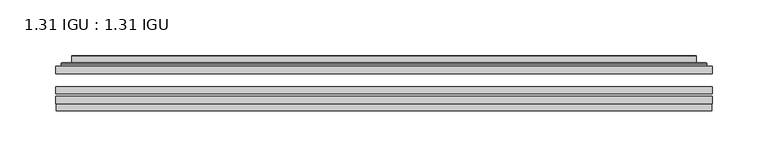
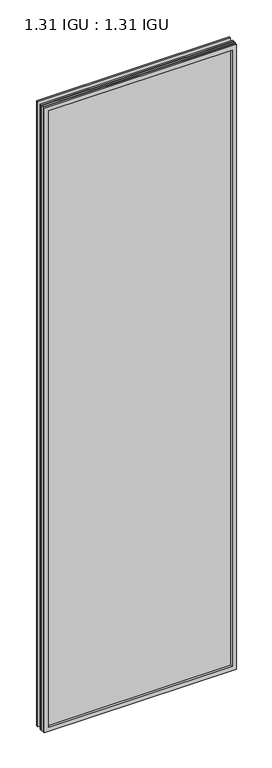
"""IFC4 building model written with IfcOpenShell, lengths in millimetres: plate geometry, 1.31 IGU : 1.31 IGU."""

from ifc_helpers import new_model, si_unit, frame, origin, place, context, project, spatial, polyline, ellipse_curve, outline, extrude, faceted_brep, source, transform, mapped, element, save
from ifc_brep_helpers import plane_surface, cylinder_surface, advanced_brep


def plate_1_31_igu_1_31_igu_c1df1780(model_context):
    return source(origin(), model_context, "Body", "SolidModel", [
        extrude(outline(polyline([(295.2923663, -63.59525), (295.2923663, -69.94525), (-295.2781913, -69.94525), (-295.2781913, -63.59525), (295.2923663, -63.59525)])), frame((0.0, 0.0, -14.2875), z_axis=(0.0, 0.0, 1.0), x_axis=(1.0, 0.0, 0.0)), (0.0, 0.0, 1.0), 2022.4787979),
        extrude(outline(polyline([(-295.2781913, -78.58125), (-295.2781913, -72.230745), (295.2923663, -72.230745), (295.2923663, -78.58125), (-295.2781913, -78.58125)])), frame((0.0, 0.0, -14.2875), z_axis=(0.0, 0.0, 1.0), x_axis=(1.0, 0.0, 0.0)), (0.0, 0.0, 1.0), 2022.4787979),
        extrude(outline(polyline([(295.2923663, -45.25645), (295.2923663, -51.60645), (-295.2781913, -51.60645), (-295.2781913, -45.25645), (295.2923663, -45.25645)])), frame((0.0, 0.0, -14.2875), z_axis=(0.0, 0.0, 1.0), x_axis=(1.0, 0.0, 0.0)), (0.0, 0.0, 1.0), 2022.4787979),
        faceted_brep([(-294.5780056, -84.93125, 2007.4873142), (-294.5780056, -78.58125, 2007.4873142), (-294.5780056, -78.58125, -13.5873142), (-294.5780056, -84.93125, -13.5873142), (294.5780056, -78.58125, -13.5873142), (294.5780056, -84.93125, -13.5873142), (294.5780056, -78.58125, 2007.4873142), (294.5780056, -84.93125, 2007.4873142), (-280.0929472, -78.58125, 0.8977441), (280.0929472, -78.58125, 0.8977441), (280.0929472, -78.58125, 1993.0022559), (-280.0929472, -78.58125, 1993.0022559), (-280.9853815, -84.93125, 1993.8946902), (280.9853815, -84.93125, 1993.8946902), (280.9853815, -84.93125, 0.0053098), (-280.9853815, -84.93125, 0.0053098)], [[[0, 1, 2, 3]], [[3, 2, 4, 5]], [[5, 4, 6, 7]], [[1, 6, 4, 2], [8, 9, 10, 11]], [[7, 6, 1, 0]], [[3, 5, 7, 0], [12, 13, 14, 15]], [[11, 12, 15, 8]], [[8, 15, 14, 9]], [[9, 14, 13, 10]], [[10, 13, 12, 11]]]),
        advanced_brep(
        [(-288.0369104, -45.25645, 2000.946219), (-290.3911157, -43.2667833, 2003.3004244), (-290.3911157, -43.2667833, -9.4004244), (-288.0369104, -45.25645, -7.046219), (-278.9625852, -41.416413, 1991.8718939), (-274.0277534, -45.25645, 1986.9370621), (-274.0277534, -45.25645, 6.9629379), (-278.9625852, -41.416413, 2.0281061), (-279.994613, -36.0191819, 1992.9039217), (-279.994613, -36.0191819, 0.9960783), (-280.9852698, -35.6202069, 1993.8945784), (-280.9852698, -35.6202069, 0.0054216), (-280.9852698, -42.08145, 1993.8945784), (-280.9852698, -42.08145, 0.0054216), (-289.3893262, -42.08145, 2002.2986349), (-289.3893262, -42.08145, -8.3986349), (290.3911157, -43.2667833, -9.4004244), (288.0369104, -45.25645, -7.046219), (274.0277534, -45.25645, 6.9629379), (278.9625852, -41.416413, 2.0281061), (279.994613, -36.0191819, 0.9960783), (280.9852698, -35.6202069, 0.0054216), (280.9852698, -42.08145, 0.0054216), (289.3893262, -42.08145, -8.3986349), (290.3911157, -43.2667833, 2003.3004244), (288.0369104, -45.25645, 2000.946219), (274.0277534, -45.25645, 1986.9370621), (278.9625852, -41.416413, 1991.8718939), (279.994613, -36.0191819, 1992.9039217), (280.9852698, -35.6202069, 1993.8945784), (280.9852698, -42.08145, 1993.8945784), (289.3893262, -42.08145, 2002.2986349)],
        [
            (0, 1, ellipse_curve(frame((-288.0369104, -42.86885, 2000.946219), z_axis=(-0.7071067811865475, 0.0, -0.7071067811865475), x_axis=(-0.7071067811865474, 0.0, 0.7071067811865476)), 3.3765763, 2.3876)),
            (1, 2),
            (2, 3, ellipse_curve(frame((-288.0369104, -42.86885, -7.046219), z_axis=(-0.7071067811865475, 0.0, 0.7071067811865475), x_axis=(0.7071067811865474, 0.0, 0.7071067811865476)), 3.3765763, 2.3876)),
            (3, 0),
            (4, 5),
            (5, 6),
            (6, 7),
            (7, 4),
            (8, 4),
            (7, 9),
            (9, 8),
            (10, 8, ellipse_curve(frame((-280.6183132, -36.1384423, 1993.5276219), z_axis=(-0.7071067811865475, 0.0, -0.7071067811865475), x_axis=(-0.7071067811865474, 0.0, 0.7071067811865476)), 0.8980256, 0.635)),
            (9, 11, ellipse_curve(frame((-280.6183132, -36.1384423, 0.3723781), z_axis=(-0.7071067811865475, 0.0, 0.7071067811865475), x_axis=(0.7071067811865474, 0.0, 0.7071067811865476)), 0.8980256, 0.635)),
            (11, 10),
            (12, 10),
            (11, 13),
            (13, 12),
            (1, 14, ellipse_curve(frame((-289.3893262, -43.09745, 2002.2986349), z_axis=(-0.7071067811865475, 0.0, -0.7071067811865475), x_axis=(-0.7071067811865474, 0.0, 0.7071067811865476)), 1.436841, 1.016)),
            (14, 15),
            (15, 2, ellipse_curve(frame((-289.3893262, -43.09745, -8.3986349), z_axis=(-0.7071067811865475, 0.0, 0.7071067811865475), x_axis=(0.7071067811865474, 0.0, 0.7071067811865476)), 1.436841, 1.016)),
            (2, 16),
            (16, 17, ellipse_curve(frame((288.0369104, -42.86885, -7.046219), z_axis=(-0.7071067811865475, 0.0, -0.7071067811865475), x_axis=(-0.7071067811865476, 0.0, 0.7071067811865474)), 3.3765763, 2.3876)),
            (17, 3),
            (6, 18),
            (18, 19),
            (19, 7),
            (19, 20),
            (20, 9),
            (20, 21, ellipse_curve(frame((280.6183132, -36.1384423, 0.3723781), z_axis=(-0.7071067811865475, 0.0, -0.7071067811865475), x_axis=(-0.7071067811865476, 0.0, 0.7071067811865474)), 0.8980256, 0.635)),
            (21, 11),
            (21, 22),
            (22, 13),
            (15, 23),
            (23, 16, ellipse_curve(frame((289.3893262, -43.09745, -8.3986349), z_axis=(-0.7071067811865475, 0.0, -0.7071067811865475), x_axis=(-0.7071067811865476, 0.0, 0.7071067811865474)), 1.436841, 1.016)),
            (16, 24),
            (24, 25, ellipse_curve(frame((288.0369104, -42.86885, 2000.946219), z_axis=(0.7071067811865475, 0.0, -0.7071067811865475), x_axis=(-0.7071067811865474, 0.0, -0.7071067811865476)), 3.3765763, 2.3876)),
            (25, 17),
            (18, 26),
            (26, 27),
            (27, 19),
            (27, 28),
            (28, 20),
            (28, 29, ellipse_curve(frame((280.6183132, -36.1384423, 1993.5276219), z_axis=(0.7071067811865475, 0.0, -0.7071067811865475), x_axis=(-0.7071067811865474, 0.0, -0.7071067811865476)), 0.8980256, 0.635)),
            (29, 21),
            (29, 30),
            (30, 22),
            (23, 31),
            (31, 24, ellipse_curve(frame((289.3893262, -43.09745, 2002.2986349), z_axis=(0.7071067811865475, 0.0, -0.7071067811865475), x_axis=(-0.7071067811865474, 0.0, -0.7071067811865476)), 1.436841, 1.016)),
            (24, 1),
            (0, 25),
            (5, 26),
            (4, 27),
            (8, 28),
            (10, 29),
            (12, 30),
            (14, 31),
        ],
        [
            cylinder_surface(frame((-288.0369104, -42.86885, 2025.65), z_axis=(0.0, 0.0, 1.0), x_axis=(-1.0, 0.0, 0.0)), 2.3876),
            plane_surface(frame((-274.0277534, -45.25645, 1986.9370621), z_axis=(0.6141233906514794, 0.7892100234124821, 0.0), x_axis=(0.0, 0.0, -1.0))),
            plane_surface(frame((-278.9625852, -41.416413, 1991.8718939), z_axis=(0.9822050625507729, 0.18781164793386074, 0.0), x_axis=(0.0, 0.0, -1.0))),
            cylinder_surface(frame((-280.6183132, -36.1384423, 2025.65), z_axis=(0.0, 0.0, 1.0), x_axis=(-1.0, 0.0, 0.0)), 0.635),
            plane_surface(frame((-280.9852698, -35.6202069, 1993.8945784), z_axis=(-1.0, 0.0, 0.0), x_axis=(0.0, 0.0, -1.0))),
            cylinder_surface(frame((-289.3893262, -43.09745, 2025.65), z_axis=(0.0, 0.0, 1.0), x_axis=(-1.0, 0.0, 0.0)), 1.016),
            cylinder_surface(frame((-312.7406913, -42.86885, -7.046219), z_axis=(-1.0, 0.0, 0.0), x_axis=(0.0, 0.0, -1.0)), 2.3876),
            plane_surface(frame((-274.0277534, -45.25645, 6.9629379), z_axis=(0.0, 0.7892100234124841, 0.6141233906514768), x_axis=(1.0, 0.0, 0.0))),
            plane_surface(frame((-278.9625852, -41.416413, 2.0281061), z_axis=(0.0, 0.18781164793386393, 0.9822050625507723), x_axis=(1.0, 0.0, 0.0))),
            cylinder_surface(frame((-312.7406913, -36.1384423, 0.3723781), z_axis=(-1.0, 0.0, 0.0), x_axis=(0.0, 0.0, -1.0)), 0.635),
            plane_surface(frame((-280.9852698, -35.6202069, 0.0054216), z_axis=(0.0, 0.0, -1.0), x_axis=(1.0, 0.0, 0.0))),
            cylinder_surface(frame((-312.7406913, -43.09745, -8.3986349), z_axis=(-1.0, 0.0, 0.0), x_axis=(0.0, 0.0, -1.0)), 1.016),
            cylinder_surface(frame((288.0369104, -42.86885, -31.75), z_axis=(0.0, 0.0, -1.0), x_axis=(1.0, 0.0, 0.0)), 2.3876),
            plane_surface(frame((274.0277534, -45.25645, 6.9629379), z_axis=(-0.6141233906514743, 0.7892100234124861, 0.0), x_axis=(0.0, 0.0, 1.0))),
            plane_surface(frame((278.9625852, -41.416413, 2.0281061), z_axis=(-0.9822050625507718, 0.18781164793386712, 0.0), x_axis=(0.0, 0.0, 1.0))),
            cylinder_surface(frame((280.6183132, -36.1384423, -31.75), z_axis=(0.0, 0.0, -1.0), x_axis=(1.0, 0.0, 0.0)), 0.635),
            plane_surface(frame((280.9852698, -35.6202069, 0.0054216), z_axis=(1.0, 0.0, 0.0), x_axis=(0.0, 0.0, 1.0))),
            cylinder_surface(frame((289.3893262, -43.09745, -31.75), z_axis=(0.0, 0.0, -1.0), x_axis=(1.0, 0.0, 0.0)), 1.016),
            cylinder_surface(frame((312.7406913, -42.86885, 2000.946219), z_axis=(1.0, 0.0, 0.0), x_axis=(0.0, 0.0, 1.0)), 2.3876),
            plane_surface(frame((288.0369104, -45.25645, 2000.946219), z_axis=(0.0, -1.0, 0.0), x_axis=(-1.0, 0.0, 0.0))),
            plane_surface(frame((274.0277534, -45.25645, 1986.9370621), z_axis=(0.0, 0.7892100234124841, -0.6141233906514768), x_axis=(-1.0, 0.0, 0.0))),
            plane_surface(frame((278.9625852, -41.416413, 1991.8718939), z_axis=(0.0, 0.18781164793386393, -0.9822050625507723), x_axis=(-1.0, 0.0, 0.0))),
            cylinder_surface(frame((312.7406913, -36.1384423, 1993.5276219), z_axis=(1.0, 0.0, 0.0), x_axis=(0.0, 0.0, 1.0)), 0.635),
            plane_surface(frame((280.9852698, -35.6202069, 1993.8945784), z_axis=(0.0, 0.0, 1.0), x_axis=(-1.0, 0.0, 0.0))),
            plane_surface(frame((280.9852698, -42.08145, 1993.8945784), z_axis=(0.0, 1.0, 0.0), x_axis=(-1.0, 0.0, 0.0))),
            cylinder_surface(frame((312.7406913, -43.09745, 2002.2986349), z_axis=(1.0, 0.0, 0.0), x_axis=(0.0, 0.0, 1.0)), 1.016),
        ],
        [
            (0, [[1, 2, 3, 4]]),
            (1, [[5, 6, 7, 8]]),
            (2, [[9, -8, 10, 11]]),
            (3, [[12, -11, 13, 14]]),
            (4, [[15, -14, 16, 17]]),
            (5, [[18, 19, 20, -2]]),
            (6, [[-3, 21, 22, 23]]),
            (7, [[-7, 24, 25, 26]]),
            (8, [[-10, -26, 27, 28]]),
            (9, [[-13, -28, 29, 30]]),
            (10, [[-16, -30, 31, 32]]),
            (11, [[-20, 33, 34, -21]]),
            (12, [[-22, 35, 36, 37]]),
            (13, [[-25, 38, 39, 40]]),
            (14, [[-27, -40, 41, 42]]),
            (15, [[-29, -42, 43, 44]]),
            (16, [[-31, -44, 45, 46]]),
            (17, [[-34, 47, 48, -35]]),
            (18, [[-36, 49, -1, 50]]),
            (19, [[-23, -37, -50, -4], [51, -38, -24, -6]]),
            (20, [[-39, -51, -5, 52]]),
            (21, [[-41, -52, -9, 53]]),
            (22, [[-43, -53, -12, 54]]),
            (23, [[-45, -54, -15, 55]]),
            (24, [[56, -47, -33, -19], [-32, -46, -55, -17]]),
            (25, [[-48, -56, -18, -49]]),
        ],
    ),
    ])


if __name__ == "__main__":
    model = new_model("IFC4")
    model_context = context("Model", 3, world=origin())
    ifc_project = project(units=[si_unit("LENGTHUNIT", "METRE", prefix="MILLI")], contexts=[model_context])
    site = spatial("IfcSite", under=ifc_project)
    building = spatial("IfcBuilding", under=site)
    placement = place(None, origin())
    plate_1_31_igu_1_31_igu_shape = plate_1_31_igu_1_31_igu_c1df1780(model_context)
    element("IfcPlate", 1, ObjectType="1.31 IGU : 1.31 IGU", at=placement, inside=building, context=model_context, shape_type="MappedRepresentation", body=[
        mapped(plate_1_31_igu_1_31_igu_shape, transform((0.0, 0.0, 0.0), x_axis=(1.0, 0.0, 0.0), y_axis=(0.0, 1.0, 0.0), z_axis=(0.0, 0.0, 1.0))),
    ])
    save(model, "model.ifc")
